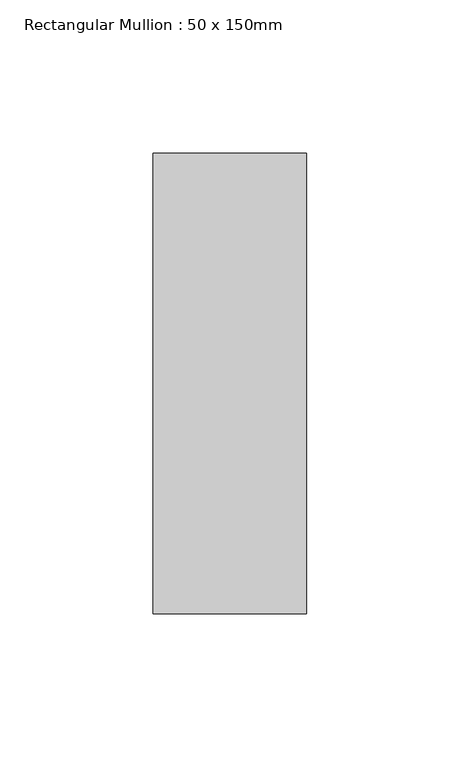
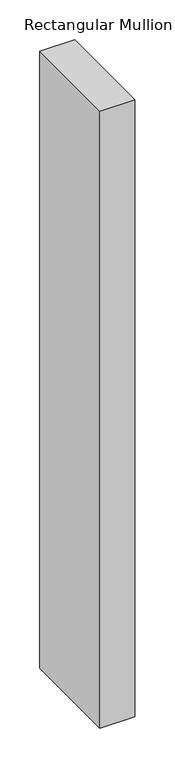
"""IFC4 building model written with IfcOpenShell, lengths in millimetres: member geometry, Rectangular Mullion : 50 x 150mm."""

from ifc_helpers import new_model, si_unit, frame, origin, place, context, project, spatial, polyline, outline, extrude, source, transform, mapped, element, save


def rectangular_mullion_50_x_150mm_e6be0bb7(model_context):
    return source(origin(), model_context, "Body", "SweptSolid", [
        extrude(outline(polyline([(0.0, 75.0), (0.0, -75.0), (-50.0, -75.0), (-50.0, 75.0), (0.0, 75.0)])), frame((0.0, 0.0, -941.6666667), z_axis=(0.0, 0.0, 1.0), x_axis=(1.0, 0.0, 0.0)), (0.0, 0.0, 1.0), 941.6666667),
    ])


if __name__ == "__main__":
    model = new_model("IFC4")
    model_context = context("Model", 3, world=origin())
    ifc_project = project(units=[si_unit("LENGTHUNIT", "METRE", prefix="MILLI")], contexts=[model_context])
    site = spatial("IfcSite", under=ifc_project)
    building = spatial("IfcBuilding", under=site)
    placement = place(None, origin())
    rectangular_mullion_50_x_150mm_shape = rectangular_mullion_50_x_150mm_e6be0bb7(model_context)
    element("IfcMember", 1, ObjectType="Rectangular Mullion : 50 x 150mm", at=placement, inside=building, context=model_context, shape_type="MappedRepresentation", body=[
        mapped(rectangular_mullion_50_x_150mm_shape, transform((0.0, 0.0, 0.0), x_axis=(1.0, 0.0, 0.0), y_axis=(0.0, 1.0, 0.0), z_axis=(0.0, 0.0, 1.0))),
    ])
    save(model, "model.ifc")
